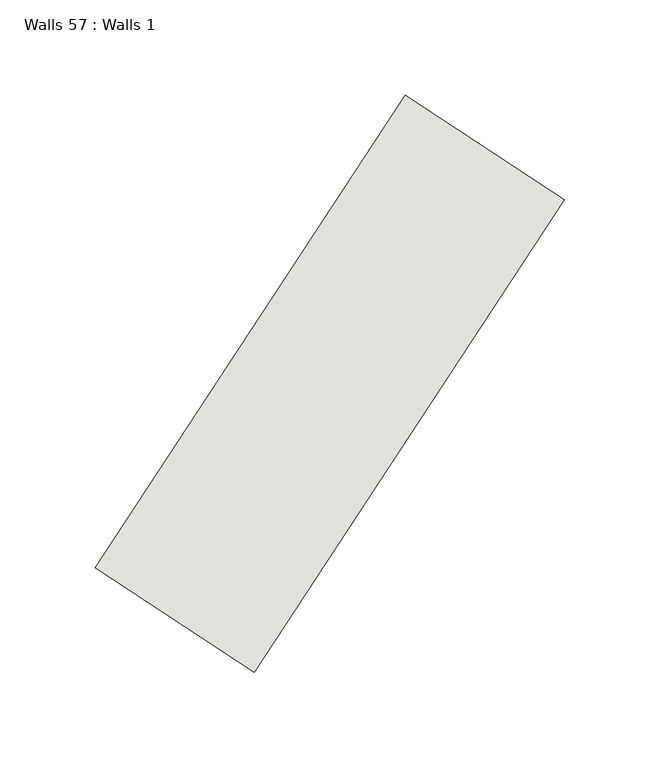
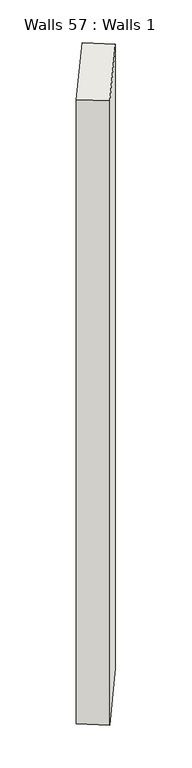
"""IFC4 building model written with IfcOpenShell, lengths in millimetres: wall geometry, Walls 57 : Walls 1."""

import ifcopenshell
import ifcopenshell.guid

model = None  # the IFC model being written
_history = None  # IfcOwnerHistory: only IFC2X3 demands one
_inside = {}  # id of a spatial element -> (the spatial element, [elements in it])
_under = {}  # id of a project, library or spatial element -> (it, [spatial elements below it])
_declared = {}  # id of a project -> (the project, [libraries it declares])
_typed = {}  # id of a type object -> (the type object, [elements of that type])
_made_of = {}  # id of a material, layer set ... -> (it, [elements and type objects made of it])


def new_model(schema):
    """Start an empty IFC model of exactly this schema.

    Asked for "IFC4X3", IfcOpenShell would pick the latest addendum, in which some entities
    have other attributes; the version numbers below select the first issue.
    IFC2X3 requires an IfcOwnerHistory on every rooted entity: one is made here for all.
    """
    global model, _history
    if schema == "IFC4X3":
        model = ifcopenshell.file(schema_version=(4, 3, 0, 0))
    else:
        model = ifcopenshell.file(schema=schema)
    _inside.clear()
    _under.clear()
    _declared.clear()
    _typed.clear()
    _made_of.clear()
    _history = None
    if model.schema == "IFC2X3":
        org = make("IfcOrganization", Name="unknown")
        user = make(
            "IfcPersonAndOrganization",
            ThePerson=make("IfcPerson", FamilyName="unknown"),
            TheOrganization=org,
        )
        app = make(
            "IfcApplication",
            ApplicationDeveloper=org,
            Version="unknown",
            ApplicationFullName="unknown",
            ApplicationIdentifier="unknown",
        )
        _history = make(
            "IfcOwnerHistory",
            OwningUser=user,
            OwningApplication=app,
            ChangeAction="ADDED",
            CreationDate=0,
        )
    return model


def make(cls, **values):
    """One entity of the class cls with the attributes given. An attribute that is None is left unset."""
    return model.create_entity(
        cls, **{name: value for name, value in values.items() if value is not None}
    )


def rooted(cls, **values):
    """An entity with a GlobalId (a new one), such as an element, a storey or a relation."""
    return make(cls, GlobalId=ifcopenshell.guid.new(), OwnerHistory=_history, **values)


def si_unit(unit_type, name, prefix=None):
    """IfcSIUnit, for example si_unit("LENGTHUNIT", "METRE", prefix="MILLI")."""
    return make("IfcSIUnit", UnitType=unit_type, Prefix=prefix, Name=name)


def assignment(units):
    """IfcUnitAssignment: the units of a project."""
    return None if units is None else make("IfcUnitAssignment", Units=units)


def point(xyz):
    """IfcCartesianPoint."""
    return None if xyz is None else make("IfcCartesianPoint", Coordinates=xyz)


def direction(xyz):
    """IfcDirection."""
    return None if xyz is None else make("IfcDirection", DirectionRatios=xyz)


def frame(location, z_axis=None, x_axis=None):
    """IfcAxis2Placement3D, a coordinate frame: its origin and axes. An axis left out is left unset."""
    return make(
        "IfcAxis2Placement3D",
        Location=point(location),
        Axis=direction(z_axis),
        RefDirection=direction(x_axis),
    )


def origin():
    """The frame at (0, 0, 0) with its axes left unset."""
    return frame((0.0, 0.0, 0.0))


def origin_with_axes():
    """The frame at (0, 0, 0) with the z axis (0, 0, 1) and the x axis (1, 0, 0) written out."""
    return frame((0.0, 0.0, 0.0), z_axis=(0.0, 0.0, 1.0), x_axis=(1.0, 0.0, 0.0))


def place(relative_to, where):
    """IfcLocalPlacement: puts the frame where relative to a parent placement (None: the world)."""
    return make(
        "IfcLocalPlacement", PlacementRelTo=relative_to, RelativePlacement=where
    )


def context(
    kind, dimensions, precision=None, world=None, true_north=None, identifier=None
):
    """IfcGeometricRepresentationContext, for example the 3D "Model" context."""
    return make(
        "IfcGeometricRepresentationContext",
        ContextIdentifier=identifier,
        ContextType=kind,
        CoordinateSpaceDimension=dimensions,
        Precision=precision,
        WorldCoordinateSystem=world,
        TrueNorth=true_north,
    )


def project(units=None, contexts=None):
    """IfcProject with its units and contexts."""
    return rooted(
        "IfcProject",
        Name="project",
        RepresentationContexts=contexts,
        UnitsInContext=assignment(units),
    )


def spatial(cls, under=None, at=None, **own):
    """A site, building, storey or space (cls), placed at a placement, below another one or the project."""
    s = rooted(cls, ObjectPlacement=at, **own)
    if under is not None:
        _under.setdefault(under.id(), (under, []))[1].append(s)
    return s


def polyline(points):
    """IfcPolyline through the points."""
    return make("IfcPolyline", Points=[point(p) for p in points])


def outline(outer, holes=None, kind="AREA"):
    """IfcArbitraryClosedProfileDef: a profile drawn as a closed curve; with holes, ...WithVoids."""
    if holes is None:
        return make("IfcArbitraryClosedProfileDef", ProfileType=kind, OuterCurve=outer)
    return make(
        "IfcArbitraryProfileDefWithVoids",
        ProfileType=kind,
        OuterCurve=outer,
        InnerCurves=holes,
    )


def extrude(swept, where, along, depth):
    """IfcExtrudedAreaSolid: the profile swept, set in the frame where, extruded along a direction by depth."""
    return make(
        "IfcExtrudedAreaSolid",
        SweptArea=swept,
        Position=where,
        ExtrudedDirection=direction(along),
        Depth=depth,
    )


def shape(context_of_items, identifier, shape_type, items):
    """IfcShapeRepresentation: the items that make up one representation, for example the "Body"."""
    return make(
        "IfcShapeRepresentation",
        ContextOfItems=context_of_items,
        RepresentationIdentifier=identifier,
        RepresentationType=shape_type,
        Items=items,
    )


def source(mapping_origin, context_of_items, identifier, shape_type, items):
    """IfcRepresentationMap: a shape defined once, which mapped items show again and again."""
    return make(
        "IfcRepresentationMap",
        MappingOrigin=mapping_origin,
        MappedRepresentation=shape(context_of_items, identifier, shape_type, items),
    )


def transform(
    local_origin,
    x_axis=None,
    y_axis=None,
    z_axis=None,
    scale=None,
    scale2=None,
    scale3=None,
    uniform=True,
):
    """IfcCartesianTransformationOperator3D, or its non-uniform kind. x_axis, y_axis, z_axis: its Axis1, 2, 3."""
    if uniform:
        return make(
            "IfcCartesianTransformationOperator3D",
            Axis1=direction(x_axis),
            Axis2=direction(y_axis),
            LocalOrigin=point(local_origin),
            Scale=scale,
            Axis3=direction(z_axis),
        )
    return make(
        "IfcCartesianTransformationOperator3DnonUniform",
        Axis1=direction(x_axis),
        Axis2=direction(y_axis),
        LocalOrigin=point(local_origin),
        Scale=scale,
        Axis3=direction(z_axis),
        Scale2=scale2,
        Scale3=scale3,
    )


def mapped(mapping_source, mapping_target):
    """IfcMappedItem: shows the shape of a source again, moved by a transform."""
    return make(
        "IfcMappedItem", MappingSource=mapping_source, MappingTarget=mapping_target
    )


def made_of(thing, what):
    """Note that an element or type object is made of a material, layer set ...; save() writes the relation."""
    if what is not None:
        _made_of.setdefault(what.id(), (what, []))[1].append(thing)
    return thing


def element(
    cls,
    number,
    at=None,
    inside=None,
    cuts=None,
    type_object=None,
    material=None,
    context=None,
    identifier="Body",
    shape_type=None,
    held_by="IfcProductDefinitionShape",
    body=None,
    shapes=None,
    **own,
):
    """One element of the class cls, such as IfcWall. Its Tag is "e" and its number.

    at: its placement. inside: the storey or other place that contains it. cuts: it is an
    opening in that element (IfcRelVoidsElement). A single representation is given by context,
    identifier, shape_type and body (its items); several are given by shapes. held_by: the class
    of the entity that holds the representations. save() writes the other relations.
    """
    e = rooted(cls, Tag="e%d" % number, ObjectPlacement=at, **own)
    if body is not None:
        shapes = [shape(context, identifier, shape_type, body)]
    if shapes is not None:
        e.Representation = make(held_by, Representations=shapes)
    if inside is not None:
        _inside.setdefault(inside.id(), (inside, []))[1].append(e)
    if cuts is not None:
        rooted(
            "IfcRelVoidsElement", RelatingBuildingElement=cuts, RelatedOpeningElement=e
        )
    if type_object is not None:
        _typed.setdefault(type_object.id(), (type_object, []))[1].append(e)
    return made_of(e, material)


def aggregate(whole, parts):
    """IfcRelAggregates: a whole, such as a stair, and the parts it consists of."""
    return rooted("IfcRelAggregates", RelatingObject=whole, RelatedObjects=parts)


def save(model, path):
    """Write the relations noted so far, then the file.

    IfcRelAggregates (storeys below a building ...), IfcRelContainedInSpatialStructure (elements
    in a storey), IfcRelDefinesByType, IfcRelAssociatesMaterial and IfcRelDeclares: one each for
    every whole, place, type object, material and project.
    """
    for whole, parts in _under.values():
        aggregate(whole, parts)
    for where, things in _inside.values():
        rooted(
            "IfcRelContainedInSpatialStructure",
            RelatedElements=things,
            RelatingStructure=where,
        )
    for kind, things in _typed.values():
        rooted("IfcRelDefinesByType", RelatedObjects=things, RelatingType=kind)
    for what, things in _made_of.values():
        rooted("IfcRelAssociatesMaterial", RelatedObjects=things, RelatingMaterial=what)
    for by, libraries in _declared.values():
        rooted("IfcRelDeclares", RelatingContext=by, RelatedDefinitions=libraries)
    model.write(path)


def walls_57_walls_1_927e878c(model_context):
    return source(origin(), model_context, "Body", "SweptSolid", [
        extrude(outline(polyline([(8986.2731388, 311.184049), (9149.0543404, 559.2772183), (9232.6637596, 504.4186273), (9069.8825581, 256.3254579), (8986.2731388, 311.184049)])), origin_with_axes(), (0.0, 0.0, 1.0), 2279.1162131),
    ])


if __name__ == "__main__":
    model = new_model("IFC4")
    model_context = context("Model", 3, world=origin())
    ifc_project = project(units=[si_unit("LENGTHUNIT", "METRE", prefix="MILLI")], contexts=[model_context])
    site = spatial("IfcSite", under=ifc_project)
    building = spatial("IfcBuilding", under=site)
    placement = place(None, origin())
    walls_57_walls_1_shape = walls_57_walls_1_927e878c(model_context)
    element("IfcWall", 1, ObjectType="Walls 57 : Walls 1", at=placement, inside=building, context=model_context, shape_type="MappedRepresentation", body=[
        mapped(walls_57_walls_1_shape, transform((0.0, 0.0, 0.0), x_axis=(1.0, 0.0, 0.0), y_axis=(0.0, 1.0, 0.0), z_axis=(0.0, 0.0, 1.0))),
    ])
    save(model, "model.ifc")
